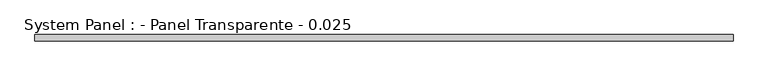
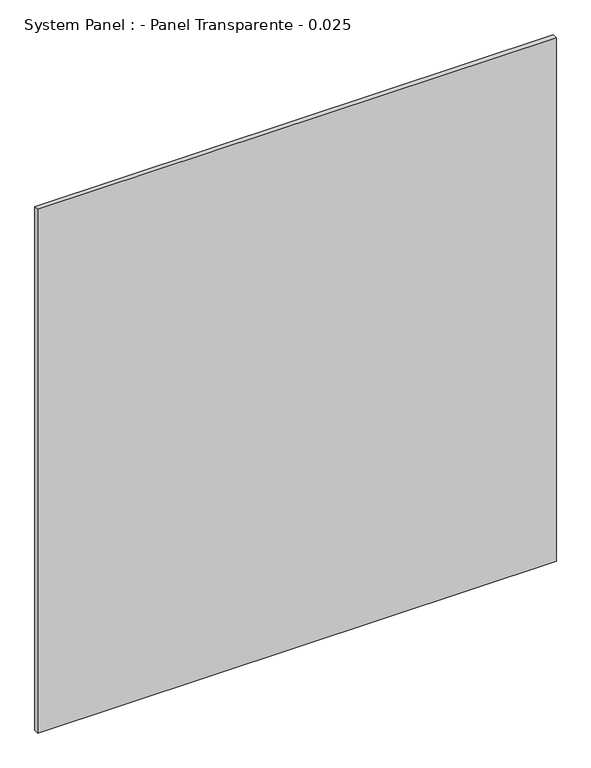
"""IFC4 building model written with IfcOpenShell, lengths in millimetres: plate geometry, System Panel : - Panel Transparente - 0.025."""

import ifcopenshell
import ifcopenshell.guid

model = None  # the IFC model being written
_history = None  # IfcOwnerHistory: only IFC2X3 demands one
_inside = {}  # id of a spatial element -> (the spatial element, [elements in it])
_under = {}  # id of a project, library or spatial element -> (it, [spatial elements below it])
_declared = {}  # id of a project -> (the project, [libraries it declares])
_typed = {}  # id of a type object -> (the type object, [elements of that type])
_made_of = {}  # id of a material, layer set ... -> (it, [elements and type objects made of it])


def new_model(schema):
    """Start an empty IFC model of exactly this schema.

    Asked for "IFC4X3", IfcOpenShell would pick the latest addendum, in which some entities
    have other attributes; the version numbers below select the first issue.
    IFC2X3 requires an IfcOwnerHistory on every rooted entity: one is made here for all.
    """
    global model, _history
    if schema == "IFC4X3":
        model = ifcopenshell.file(schema_version=(4, 3, 0, 0))
    else:
        model = ifcopenshell.file(schema=schema)
    _inside.clear()
    _under.clear()
    _declared.clear()
    _typed.clear()
    _made_of.clear()
    _history = None
    if model.schema == "IFC2X3":
        org = make("IfcOrganization", Name="unknown")
        user = make(
            "IfcPersonAndOrganization",
            ThePerson=make("IfcPerson", FamilyName="unknown"),
            TheOrganization=org,
        )
        app = make(
            "IfcApplication",
            ApplicationDeveloper=org,
            Version="unknown",
            ApplicationFullName="unknown",
            ApplicationIdentifier="unknown",
        )
        _history = make(
            "IfcOwnerHistory",
            OwningUser=user,
            OwningApplication=app,
            ChangeAction="ADDED",
            CreationDate=0,
        )
    return model


def make(cls, **values):
    """One entity of the class cls with the attributes given. An attribute that is None is left unset."""
    return model.create_entity(
        cls, **{name: value for name, value in values.items() if value is not None}
    )


def rooted(cls, **values):
    """An entity with a GlobalId (a new one), such as an element, a storey or a relation."""
    return make(cls, GlobalId=ifcopenshell.guid.new(), OwnerHistory=_history, **values)


def si_unit(unit_type, name, prefix=None):
    """IfcSIUnit, for example si_unit("LENGTHUNIT", "METRE", prefix="MILLI")."""
    return make("IfcSIUnit", UnitType=unit_type, Prefix=prefix, Name=name)


def assignment(units):
    """IfcUnitAssignment: the units of a project."""
    return None if units is None else make("IfcUnitAssignment", Units=units)


def point(xyz):
    """IfcCartesianPoint."""
    return None if xyz is None else make("IfcCartesianPoint", Coordinates=xyz)


def direction(xyz):
    """IfcDirection."""
    return None if xyz is None else make("IfcDirection", DirectionRatios=xyz)


def frame(location, z_axis=None, x_axis=None):
    """IfcAxis2Placement3D, a coordinate frame: its origin and axes. An axis left out is left unset."""
    return make(
        "IfcAxis2Placement3D",
        Location=point(location),
        Axis=direction(z_axis),
        RefDirection=direction(x_axis),
    )


def origin():
    """The frame at (0, 0, 0) with its axes left unset."""
    return frame((0.0, 0.0, 0.0))


def origin_with_axes():
    """The frame at (0, 0, 0) with the z axis (0, 0, 1) and the x axis (1, 0, 0) written out."""
    return frame((0.0, 0.0, 0.0), z_axis=(0.0, 0.0, 1.0), x_axis=(1.0, 0.0, 0.0))


def place(relative_to, where):
    """IfcLocalPlacement: puts the frame where relative to a parent placement (None: the world)."""
    return make(
        "IfcLocalPlacement", PlacementRelTo=relative_to, RelativePlacement=where
    )


def context(
    kind, dimensions, precision=None, world=None, true_north=None, identifier=None
):
    """IfcGeometricRepresentationContext, for example the 3D "Model" context."""
    return make(
        "IfcGeometricRepresentationContext",
        ContextIdentifier=identifier,
        ContextType=kind,
        CoordinateSpaceDimension=dimensions,
        Precision=precision,
        WorldCoordinateSystem=world,
        TrueNorth=true_north,
    )


def project(units=None, contexts=None):
    """IfcProject with its units and contexts."""
    return rooted(
        "IfcProject",
        Name="project",
        RepresentationContexts=contexts,
        UnitsInContext=assignment(units),
    )


def spatial(cls, under=None, at=None, **own):
    """A site, building, storey or space (cls), placed at a placement, below another one or the project."""
    s = rooted(cls, ObjectPlacement=at, **own)
    if under is not None:
        _under.setdefault(under.id(), (under, []))[1].append(s)
    return s


def polyline(points):
    """IfcPolyline through the points."""
    return make("IfcPolyline", Points=[point(p) for p in points])


def outline(outer, holes=None, kind="AREA"):
    """IfcArbitraryClosedProfileDef: a profile drawn as a closed curve; with holes, ...WithVoids."""
    if holes is None:
        return make("IfcArbitraryClosedProfileDef", ProfileType=kind, OuterCurve=outer)
    return make(
        "IfcArbitraryProfileDefWithVoids",
        ProfileType=kind,
        OuterCurve=outer,
        InnerCurves=holes,
    )


def extrude(swept, where, along, depth):
    """IfcExtrudedAreaSolid: the profile swept, set in the frame where, extruded along a direction by depth."""
    return make(
        "IfcExtrudedAreaSolid",
        SweptArea=swept,
        Position=where,
        ExtrudedDirection=direction(along),
        Depth=depth,
    )


def shape(context_of_items, identifier, shape_type, items):
    """IfcShapeRepresentation: the items that make up one representation, for example the "Body"."""
    return make(
        "IfcShapeRepresentation",
        ContextOfItems=context_of_items,
        RepresentationIdentifier=identifier,
        RepresentationType=shape_type,
        Items=items,
    )


def source(mapping_origin, context_of_items, identifier, shape_type, items):
    """IfcRepresentationMap: a shape defined once, which mapped items show again and again."""
    return make(
        "IfcRepresentationMap",
        MappingOrigin=mapping_origin,
        MappedRepresentation=shape(context_of_items, identifier, shape_type, items),
    )


def transform(
    local_origin,
    x_axis=None,
    y_axis=None,
    z_axis=None,
    scale=None,
    scale2=None,
    scale3=None,
    uniform=True,
):
    """IfcCartesianTransformationOperator3D, or its non-uniform kind. x_axis, y_axis, z_axis: its Axis1, 2, 3."""
    if uniform:
        return make(
            "IfcCartesianTransformationOperator3D",
            Axis1=direction(x_axis),
            Axis2=direction(y_axis),
            LocalOrigin=point(local_origin),
            Scale=scale,
            Axis3=direction(z_axis),
        )
    return make(
        "IfcCartesianTransformationOperator3DnonUniform",
        Axis1=direction(x_axis),
        Axis2=direction(y_axis),
        LocalOrigin=point(local_origin),
        Scale=scale,
        Axis3=direction(z_axis),
        Scale2=scale2,
        Scale3=scale3,
    )


def mapped(mapping_source, mapping_target):
    """IfcMappedItem: shows the shape of a source again, moved by a transform."""
    return make(
        "IfcMappedItem", MappingSource=mapping_source, MappingTarget=mapping_target
    )


def made_of(thing, what):
    """Note that an element or type object is made of a material, layer set ...; save() writes the relation."""
    if what is not None:
        _made_of.setdefault(what.id(), (what, []))[1].append(thing)
    return thing


def element(
    cls,
    number,
    at=None,
    inside=None,
    cuts=None,
    type_object=None,
    material=None,
    context=None,
    identifier="Body",
    shape_type=None,
    held_by="IfcProductDefinitionShape",
    body=None,
    shapes=None,
    **own,
):
    """One element of the class cls, such as IfcWall. Its Tag is "e" and its number.

    at: its placement. inside: the storey or other place that contains it. cuts: it is an
    opening in that element (IfcRelVoidsElement). A single representation is given by context,
    identifier, shape_type and body (its items); several are given by shapes. held_by: the class
    of the entity that holds the representations. save() writes the other relations.
    """
    e = rooted(cls, Tag="e%d" % number, ObjectPlacement=at, **own)
    if body is not None:
        shapes = [shape(context, identifier, shape_type, body)]
    if shapes is not None:
        e.Representation = make(held_by, Representations=shapes)
    if inside is not None:
        _inside.setdefault(inside.id(), (inside, []))[1].append(e)
    if cuts is not None:
        rooted(
            "IfcRelVoidsElement", RelatingBuildingElement=cuts, RelatedOpeningElement=e
        )
    if type_object is not None:
        _typed.setdefault(type_object.id(), (type_object, []))[1].append(e)
    return made_of(e, material)


def aggregate(whole, parts):
    """IfcRelAggregates: a whole, such as a stair, and the parts it consists of."""
    return rooted("IfcRelAggregates", RelatingObject=whole, RelatedObjects=parts)


def save(model, path):
    """Write the relations noted so far, then the file.

    IfcRelAggregates (storeys below a building ...), IfcRelContainedInSpatialStructure (elements
    in a storey), IfcRelDefinesByType, IfcRelAssociatesMaterial and IfcRelDeclares: one each for
    every whole, place, type object, material and project.
    """
    for whole, parts in _under.values():
        aggregate(whole, parts)
    for where, things in _inside.values():
        rooted(
            "IfcRelContainedInSpatialStructure",
            RelatedElements=things,
            RelatingStructure=where,
        )
    for kind, things in _typed.values():
        rooted("IfcRelDefinesByType", RelatedObjects=things, RelatingType=kind)
    for what, things in _made_of.values():
        rooted("IfcRelAssociatesMaterial", RelatedObjects=things, RelatingMaterial=what)
    for by, libraries in _declared.values():
        rooted("IfcRelDeclares", RelatingContext=by, RelatedDefinitions=libraries)
    model.write(path)


def system_panel_panel_transparente_0_025_199a4d18(model_context):
    return source(origin(), model_context, "Body", "SweptSolid", [
        extrude(outline(polyline([(1420.0, -37.5), (-1420.0, -37.5), (-1420.0, -12.5), (1420.0, -12.5), (1420.0, -37.5)])), origin_with_axes(), (0.0, 0.0, 1.0), 3030.0),
    ])


if __name__ == "__main__":
    model = new_model("IFC4")
    model_context = context("Model", 3, world=origin())
    ifc_project = project(units=[si_unit("LENGTHUNIT", "METRE", prefix="MILLI")], contexts=[model_context])
    site = spatial("IfcSite", under=ifc_project)
    building = spatial("IfcBuilding", under=site)
    placement = place(None, origin())
    system_panel_panel_transparente_0_025_shape = system_panel_panel_transparente_0_025_199a4d18(model_context)
    element("IfcPlate", 1, ObjectType="System Panel : - Panel Transparente - 0.025", at=placement, inside=building, context=model_context, shape_type="MappedRepresentation", body=[
        mapped(system_panel_panel_transparente_0_025_shape, transform((0.0, 0.0, 0.0), x_axis=(1.0, 0.0, 0.0), y_axis=(0.0, 1.0, 0.0), z_axis=(0.0, 0.0, 1.0))),
    ])
    save(model, "model.ifc")
